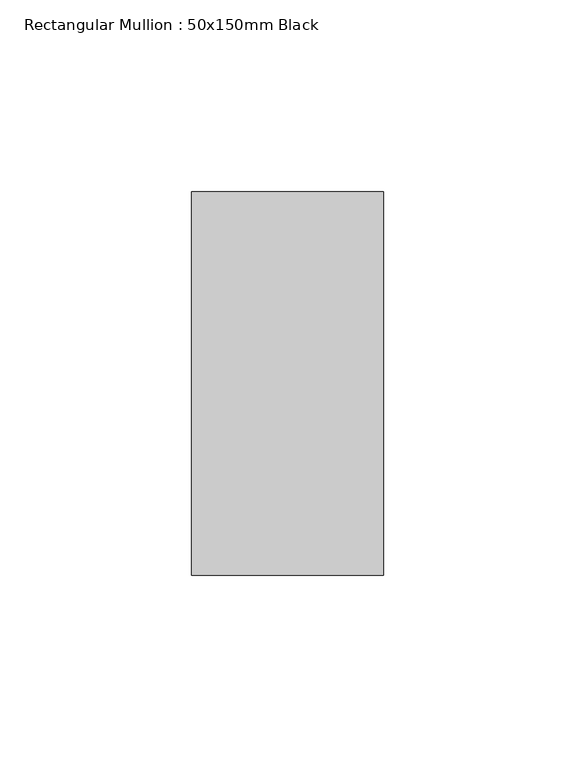
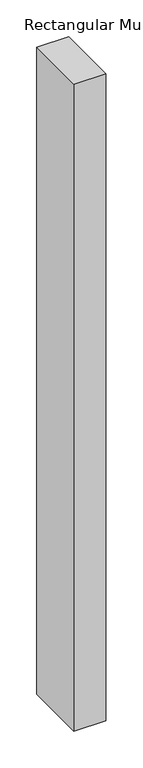
"""IFC4 building model written with IfcOpenShell, lengths in millimetres: member geometry, Rectangular Mullion : 50x150mm Black."""

from ifc_helpers import new_model, si_unit, frame, origin, place, context, project, spatial, polyline, outline, extrude, source, transform, mapped, element, save


def rectangular_mullion_50x150mm_black_ef344699(model_context):
    return source(origin(), model_context, "Body", "SweptSolid", [
        extrude(outline(polyline([(0.0, 50.0), (0.0, -50.0), (-50.0, -50.0), (-50.0, 50.0), (0.0, 50.0)])), frame((0.0, 0.0, -1070.6249997), z_axis=(0.0, 0.0, 1.0), x_axis=(1.0, 0.0, 0.0)), (0.0, 0.0, 1.0), 1070.6249997),
    ])


if __name__ == "__main__":
    model = new_model("IFC4")
    model_context = context("Model", 3, world=origin())
    ifc_project = project(units=[si_unit("LENGTHUNIT", "METRE", prefix="MILLI")], contexts=[model_context])
    site = spatial("IfcSite", under=ifc_project)
    building = spatial("IfcBuilding", under=site)
    placement = place(None, origin())
    rectangular_mullion_50x150mm_black_shape = rectangular_mullion_50x150mm_black_ef344699(model_context)
    element("IfcMember", 1, ObjectType="Rectangular Mullion : 50x150mm Black", at=placement, inside=building, context=model_context, shape_type="MappedRepresentation", body=[
        mapped(rectangular_mullion_50x150mm_black_shape, transform((0.0, 0.0, 0.0), x_axis=(1.0, 0.0, 0.0), y_axis=(0.0, 1.0, 0.0), z_axis=(0.0, 0.0, 1.0))),
    ])
    save(model, "model.ifc")
